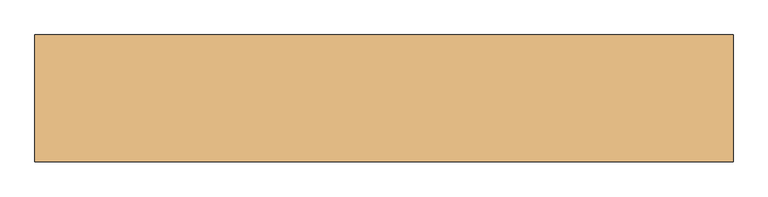
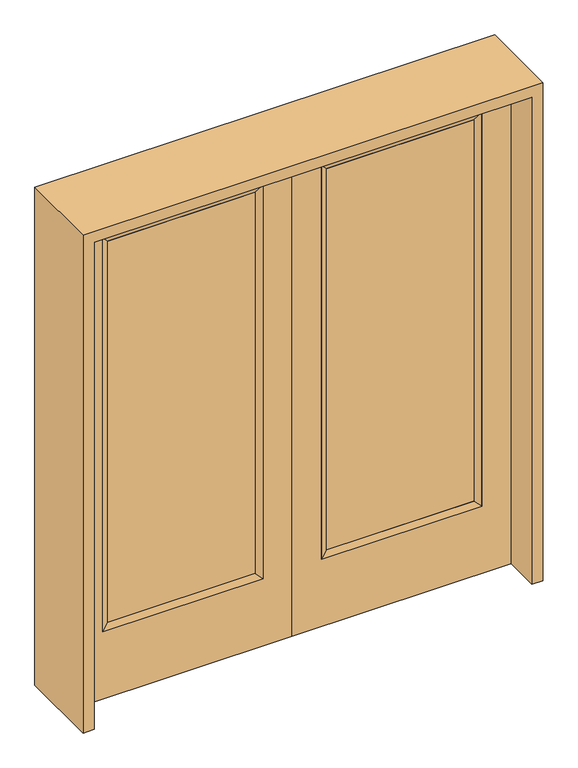
"""IFC4 building model written with IfcOpenShell, lengths in millimetres: door geometry."""

from ifc_helpers import new_model, si_unit, frame, origin, place, context, project, spatial, polyline, outline, extrude, faceted_brep, source, transform, mapped, element, save


def door_a9281f11(model_context):
    return source(origin(), model_context, "Body", "SolidModel", [
        extrude(outline(polyline([(140.8176, -12.7039749), (140.8176, 14.2875), (722.7824, 14.2875), (722.7824, -12.7039749), (140.8176, -12.7039749)])), frame((0.0, 0.0, 304.8), z_axis=(0.0, 0.0, 1.0), x_axis=(1.0, 0.0, 0.0)), (0.0, 0.0, 1.0), 1590.675),
        faceted_brep([(140.8176, 14.2875, 1895.475), (140.8176, 14.2875, 304.8), (115.4176, 22.225, 279.4), (115.4176, 22.225, 1920.875), (115.4176, -22.225, 279.4), (115.4176, -22.225, 1920.875), (722.7824, 14.2875, 304.8), (748.1824, 22.225, 279.4), (140.8176, -12.7039749, 1895.475), (140.8176, -12.7039749, 304.8), (722.7824, -12.7039749, 304.8), (748.1824, -22.225, 279.4), (722.7824, 14.2875, 1895.475), (748.1824, 22.225, 1920.875), (722.7824, -12.7039749, 1895.475), (748.1824, -22.225, 1920.875)], [[[0, 1, 2, 3]], [[3, 2, 4, 5]], [[1, 6, 7, 2]], [[8, 9, 1, 0]], [[9, 10, 6, 1]], [[5, 4, 9, 8]], [[4, 11, 10, 9]], [[2, 7, 11, 4]], [[6, 12, 13, 7]], [[10, 14, 12, 6]], [[11, 15, 14, 10]], [[7, 13, 15, 11]], [[12, 0, 3, 13]], [[14, 8, 0, 12]], [[15, 5, 8, 14]], [[13, 3, 5, 15]]]),
        extrude(outline(polyline([(0.0, 863.6), (2032.0, 863.6), (2032.0, 0.0), (0.0, 0.0), (0.0, 863.6)]), holes=[polyline([(279.4, 748.1824), (279.4, 115.4176), (1920.875, 115.4176), (1920.875, 748.1824), (279.4, 748.1824)])]), frame((0.0, -22.225, 0.0), z_axis=(0.0, 1.0, 0.0), x_axis=(0.0, 0.0, 1.0)), (0.0, 0.0, 1.0), 44.45),
        extrude(outline(polyline([(-140.8176, -12.7039749), (-722.7824, -12.7039749), (-722.7824, 14.2875), (-140.8176, 14.2875), (-140.8176, -12.7039749)])), frame((0.0, 0.0, 304.8), z_axis=(0.0, 0.0, 1.0), x_axis=(1.0, 0.0, 0.0)), (0.0, 0.0, 1.0), 1590.675),
        faceted_brep([(-140.8176, 14.2875, 1895.475), (-115.4176, 22.225, 1920.875), (-115.4176, 22.225, 279.4), (-140.8176, 14.2875, 304.8), (-115.4176, -22.225, 1920.875), (-115.4176, -22.225, 279.4), (-748.1824, 22.225, 279.4), (-722.7824, 14.2875, 304.8), (-140.8176, -12.7039749, 1895.475), (-140.8176, -12.7039749, 304.8), (-722.7824, -12.7039749, 304.8), (-748.1824, -22.225, 279.4), (-748.1824, 22.225, 1920.875), (-722.7824, 14.2875, 1895.475), (-722.7824, -12.7039749, 1895.475), (-748.1824, -22.225, 1920.875)], [[[0, 1, 2, 3]], [[1, 4, 5, 2]], [[3, 2, 6, 7]], [[8, 0, 3, 9]], [[9, 3, 7, 10]], [[4, 8, 9, 5]], [[5, 9, 10, 11]], [[2, 5, 11, 6]], [[7, 6, 12, 13]], [[10, 7, 13, 14]], [[11, 10, 14, 15]], [[6, 11, 15, 12]], [[13, 12, 1, 0]], [[14, 13, 0, 8]], [[15, 14, 8, 4]], [[12, 15, 4, 1]]]),
        extrude(outline(polyline([(0.0, -863.6), (0.0, 0.0), (2032.0, 0.0), (2032.0, -863.6), (0.0, -863.6)]), holes=[polyline([(279.4, -748.1824), (1920.875, -748.1824), (1920.875, -115.4176), (279.4, -115.4176), (279.4, -748.1824)])]), frame((0.0, -22.225, 0.0), z_axis=(0.0, 1.0, 0.0), x_axis=(0.0, 0.0, 1.0)), (0.0, 0.0, 1.0), 44.45),
        extrude(outline(polyline([(2076.45, -908.05), (0.0, -908.05), (0.0, -863.6), (2032.0, -863.6), (2032.0, 863.6), (0.0, 863.6), (0.0, 908.05), (2076.45, 908.05), (2076.45, -908.05)])), frame((0.0, -165.1, 0.0), z_axis=(0.0, 1.0, 0.0), x_axis=(0.0, 0.0, 1.0)), (0.0, 0.0, 1.0), 330.2),
    ])


if __name__ == "__main__":
    model = new_model("IFC4")
    model_context = context("Model", 3, world=origin())
    ifc_project = project(units=[si_unit("LENGTHUNIT", "METRE", prefix="MILLI")], contexts=[model_context])
    site = spatial("IfcSite", under=ifc_project)
    building = spatial("IfcBuilding", under=site)
    placement = place(None, origin())
    door_shape = door_a9281f11(model_context)
    element("IfcDoor", 1, at=placement, inside=building, context=model_context, shape_type="MappedRepresentation", body=[
        mapped(door_shape, transform((0.0, 0.0, 0.0), x_axis=(1.0, 0.0, 0.0), y_axis=(0.0, 1.0, 0.0), z_axis=(0.0, 0.0, 1.0))),
    ])
    save(model, "model.ifc")
